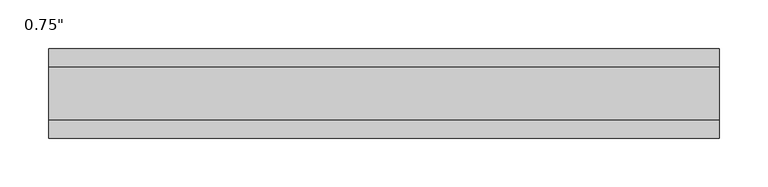
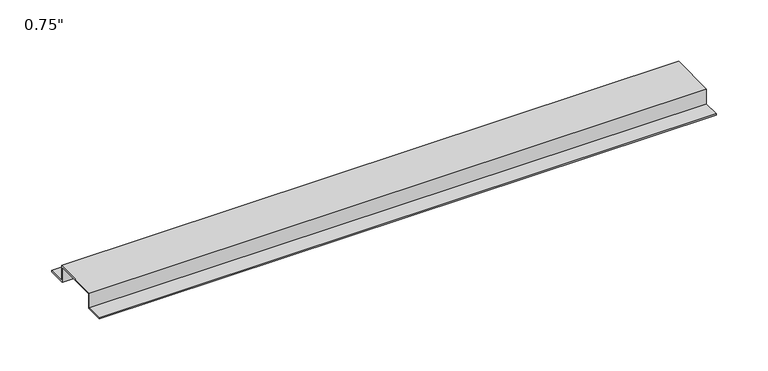
"""IFC4 building model written with IfcOpenShell, lengths in millimetres: proxy geometry."""

import ifcopenshell
import ifcopenshell.guid

model = None  # the IFC model being written
_history = None  # IfcOwnerHistory: only IFC2X3 demands one
_inside = {}  # id of a spatial element -> (the spatial element, [elements in it])
_under = {}  # id of a project, library or spatial element -> (it, [spatial elements below it])
_declared = {}  # id of a project -> (the project, [libraries it declares])
_typed = {}  # id of a type object -> (the type object, [elements of that type])
_made_of = {}  # id of a material, layer set ... -> (it, [elements and type objects made of it])


def new_model(schema):
    """Start an empty IFC model of exactly this schema.

    Asked for "IFC4X3", IfcOpenShell would pick the latest addendum, in which some entities
    have other attributes; the version numbers below select the first issue.
    IFC2X3 requires an IfcOwnerHistory on every rooted entity: one is made here for all.
    """
    global model, _history
    if schema == "IFC4X3":
        model = ifcopenshell.file(schema_version=(4, 3, 0, 0))
    else:
        model = ifcopenshell.file(schema=schema)
    _inside.clear()
    _under.clear()
    _declared.clear()
    _typed.clear()
    _made_of.clear()
    _history = None
    if model.schema == "IFC2X3":
        org = make("IfcOrganization", Name="unknown")
        user = make(
            "IfcPersonAndOrganization",
            ThePerson=make("IfcPerson", FamilyName="unknown"),
            TheOrganization=org,
        )
        app = make(
            "IfcApplication",
            ApplicationDeveloper=org,
            Version="unknown",
            ApplicationFullName="unknown",
            ApplicationIdentifier="unknown",
        )
        _history = make(
            "IfcOwnerHistory",
            OwningUser=user,
            OwningApplication=app,
            ChangeAction="ADDED",
            CreationDate=0,
        )
    return model


def make(cls, **values):
    """One entity of the class cls with the attributes given. An attribute that is None is left unset."""
    return model.create_entity(
        cls, **{name: value for name, value in values.items() if value is not None}
    )


def rooted(cls, **values):
    """An entity with a GlobalId (a new one), such as an element, a storey or a relation."""
    return make(cls, GlobalId=ifcopenshell.guid.new(), OwnerHistory=_history, **values)


def si_unit(unit_type, name, prefix=None):
    """IfcSIUnit, for example si_unit("LENGTHUNIT", "METRE", prefix="MILLI")."""
    return make("IfcSIUnit", UnitType=unit_type, Prefix=prefix, Name=name)


def assignment(units):
    """IfcUnitAssignment: the units of a project."""
    return None if units is None else make("IfcUnitAssignment", Units=units)


def point(xyz):
    """IfcCartesianPoint."""
    return None if xyz is None else make("IfcCartesianPoint", Coordinates=xyz)


def direction(xyz):
    """IfcDirection."""
    return None if xyz is None else make("IfcDirection", DirectionRatios=xyz)


def frame(location, z_axis=None, x_axis=None):
    """IfcAxis2Placement3D, a coordinate frame: its origin and axes. An axis left out is left unset."""
    return make(
        "IfcAxis2Placement3D",
        Location=point(location),
        Axis=direction(z_axis),
        RefDirection=direction(x_axis),
    )


def origin():
    """The frame at (0, 0, 0) with its axes left unset."""
    return frame((0.0, 0.0, 0.0))


def place(relative_to, where):
    """IfcLocalPlacement: puts the frame where relative to a parent placement (None: the world)."""
    return make(
        "IfcLocalPlacement", PlacementRelTo=relative_to, RelativePlacement=where
    )


def context(
    kind, dimensions, precision=None, world=None, true_north=None, identifier=None
):
    """IfcGeometricRepresentationContext, for example the 3D "Model" context."""
    return make(
        "IfcGeometricRepresentationContext",
        ContextIdentifier=identifier,
        ContextType=kind,
        CoordinateSpaceDimension=dimensions,
        Precision=precision,
        WorldCoordinateSystem=world,
        TrueNorth=true_north,
    )


def project(units=None, contexts=None):
    """IfcProject with its units and contexts."""
    return rooted(
        "IfcProject",
        Name="project",
        RepresentationContexts=contexts,
        UnitsInContext=assignment(units),
    )


def spatial(cls, under=None, at=None, **own):
    """A site, building, storey or space (cls), placed at a placement, below another one or the project."""
    s = rooted(cls, ObjectPlacement=at, **own)
    if under is not None:
        _under.setdefault(under.id(), (under, []))[1].append(s)
    return s


def polyline(points):
    """IfcPolyline through the points."""
    return make("IfcPolyline", Points=[point(p) for p in points])


def outline(outer, holes=None, kind="AREA"):
    """IfcArbitraryClosedProfileDef: a profile drawn as a closed curve; with holes, ...WithVoids."""
    if holes is None:
        return make("IfcArbitraryClosedProfileDef", ProfileType=kind, OuterCurve=outer)
    return make(
        "IfcArbitraryProfileDefWithVoids",
        ProfileType=kind,
        OuterCurve=outer,
        InnerCurves=holes,
    )


def extrude(swept, where, along, depth):
    """IfcExtrudedAreaSolid: the profile swept, set in the frame where, extruded along a direction by depth."""
    return make(
        "IfcExtrudedAreaSolid",
        SweptArea=swept,
        Position=where,
        ExtrudedDirection=direction(along),
        Depth=depth,
    )


def shape(context_of_items, identifier, shape_type, items):
    """IfcShapeRepresentation: the items that make up one representation, for example the "Body"."""
    return make(
        "IfcShapeRepresentation",
        ContextOfItems=context_of_items,
        RepresentationIdentifier=identifier,
        RepresentationType=shape_type,
        Items=items,
    )


def source(mapping_origin, context_of_items, identifier, shape_type, items):
    """IfcRepresentationMap: a shape defined once, which mapped items show again and again."""
    return make(
        "IfcRepresentationMap",
        MappingOrigin=mapping_origin,
        MappedRepresentation=shape(context_of_items, identifier, shape_type, items),
    )


def transform(
    local_origin,
    x_axis=None,
    y_axis=None,
    z_axis=None,
    scale=None,
    scale2=None,
    scale3=None,
    uniform=True,
):
    """IfcCartesianTransformationOperator3D, or its non-uniform kind. x_axis, y_axis, z_axis: its Axis1, 2, 3."""
    if uniform:
        return make(
            "IfcCartesianTransformationOperator3D",
            Axis1=direction(x_axis),
            Axis2=direction(y_axis),
            LocalOrigin=point(local_origin),
            Scale=scale,
            Axis3=direction(z_axis),
        )
    return make(
        "IfcCartesianTransformationOperator3DnonUniform",
        Axis1=direction(x_axis),
        Axis2=direction(y_axis),
        LocalOrigin=point(local_origin),
        Scale=scale,
        Axis3=direction(z_axis),
        Scale2=scale2,
        Scale3=scale3,
    )


def mapped(mapping_source, mapping_target):
    """IfcMappedItem: shows the shape of a source again, moved by a transform."""
    return make(
        "IfcMappedItem", MappingSource=mapping_source, MappingTarget=mapping_target
    )


def made_of(thing, what):
    """Note that an element or type object is made of a material, layer set ...; save() writes the relation."""
    if what is not None:
        _made_of.setdefault(what.id(), (what, []))[1].append(thing)
    return thing


def element(
    cls,
    number,
    at=None,
    inside=None,
    cuts=None,
    type_object=None,
    material=None,
    context=None,
    identifier="Body",
    shape_type=None,
    held_by="IfcProductDefinitionShape",
    body=None,
    shapes=None,
    **own,
):
    """One element of the class cls, such as IfcWall. Its Tag is "e" and its number.

    at: its placement. inside: the storey or other place that contains it. cuts: it is an
    opening in that element (IfcRelVoidsElement). A single representation is given by context,
    identifier, shape_type and body (its items); several are given by shapes. held_by: the class
    of the entity that holds the representations. save() writes the other relations.
    """
    e = rooted(cls, Tag="e%d" % number, ObjectPlacement=at, **own)
    if body is not None:
        shapes = [shape(context, identifier, shape_type, body)]
    if shapes is not None:
        e.Representation = make(held_by, Representations=shapes)
    if inside is not None:
        _inside.setdefault(inside.id(), (inside, []))[1].append(e)
    if cuts is not None:
        rooted(
            "IfcRelVoidsElement", RelatingBuildingElement=cuts, RelatedOpeningElement=e
        )
    if type_object is not None:
        _typed.setdefault(type_object.id(), (type_object, []))[1].append(e)
    return made_of(e, material)


def aggregate(whole, parts):
    """IfcRelAggregates: a whole, such as a stair, and the parts it consists of."""
    return rooted("IfcRelAggregates", RelatingObject=whole, RelatedObjects=parts)


def save(model, path):
    """Write the relations noted so far, then the file.

    IfcRelAggregates (storeys below a building ...), IfcRelContainedInSpatialStructure (elements
    in a storey), IfcRelDefinesByType, IfcRelAssociatesMaterial and IfcRelDeclares: one each for
    every whole, place, type object, material and project.
    """
    for whole, parts in _under.values():
        aggregate(whole, parts)
    for where, things in _inside.values():
        rooted(
            "IfcRelContainedInSpatialStructure",
            RelatedElements=things,
            RelatingStructure=where,
        )
    for kind, things in _typed.values():
        rooted("IfcRelDefinesByType", RelatedObjects=things, RelatingType=kind)
    for what, things in _made_of.values():
        rooted("IfcRelAssociatesMaterial", RelatedObjects=things, RelatingMaterial=what)
    for by, libraries in _declared.values():
        rooted("IfcRelDeclares", RelatingContext=by, RelatedDefinitions=libraries)
    model.write(path)


def proxy_8782a7ff(model_context):
    return source(origin(), model_context, "Body", "SweptSolid", [
        extrude(outline(polyline([(-46.0559645, -17.4625), (-46.0559645, -15.8492), (-27.0129, -15.8492), (-27.0129, 1.6129), (27.0129, 1.6129), (27.0129, -15.8492), (46.0559645, -15.8492), (46.0559645, -17.4625), (25.4, -17.4625), (25.4, 0.0), (-25.4, 0.0), (-25.4, -17.4625), (-46.0559645, -17.4625)])), frame((0.0, 0.0, 0.0), z_axis=(1.0, 0.0, 0.0), x_axis=(0.0, 1.0, 0.0)), (0.0, 0.0, 1.0), 689.0119291),
    ])


if __name__ == "__main__":
    model = new_model("IFC4")
    model_context = context("Model", 3, world=origin())
    ifc_project = project(units=[si_unit("LENGTHUNIT", "METRE", prefix="MILLI")], contexts=[model_context])
    site = spatial("IfcSite", under=ifc_project)
    building = spatial("IfcBuilding", under=site)
    placement = place(None, origin())
    proxy_shape = proxy_8782a7ff(model_context)
    element("IfcBuildingElementProxy", 1, Name="0.75\"", ObjectType="0.75\"", at=placement, inside=building, context=model_context, shape_type="MappedRepresentation", body=[
        mapped(proxy_shape, transform((0.0, 0.0, 0.0), x_axis=(1.0, 0.0, 0.0), y_axis=(0.0, 1.0, 0.0), z_axis=(0.0, 0.0, 1.0))),
    ])
    save(model, "model.ifc")
